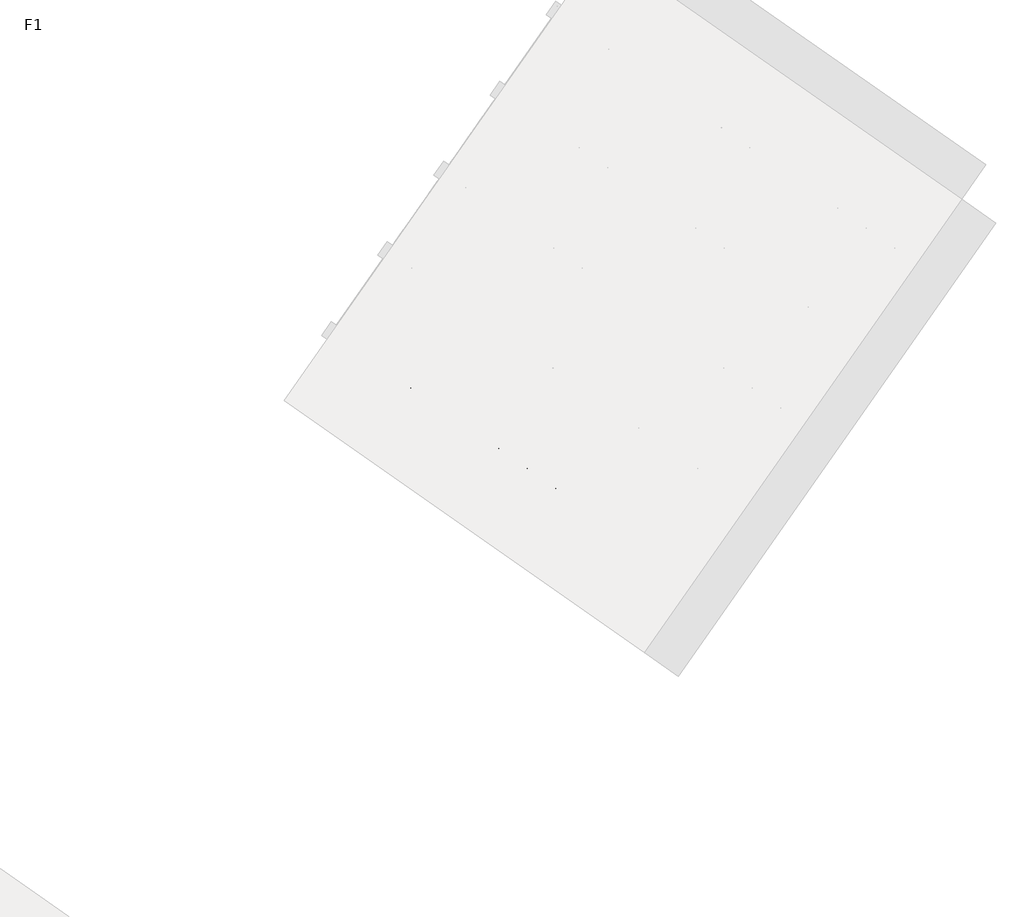
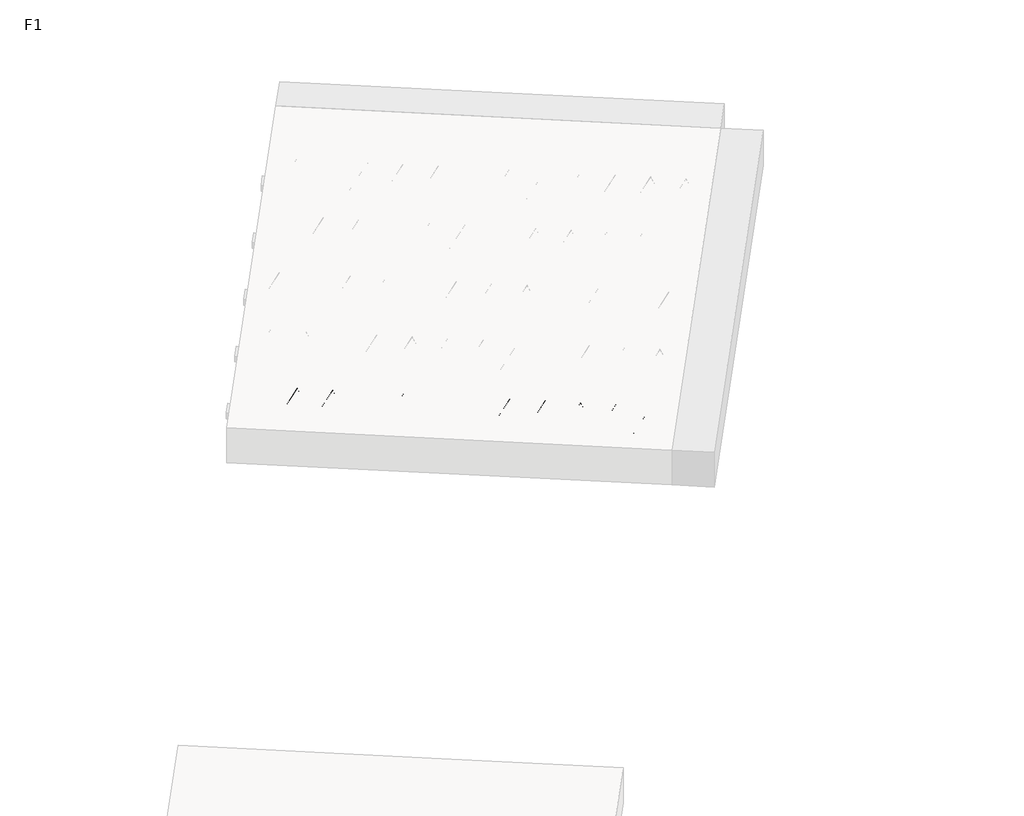
# One storey, part 19 of 30: 1 beam.
"""IFC4 building model written with IfcOpenShell, lengths in millimetres."""

import ifcopenshell
import ifcopenshell.guid

model = None  # the IFC model being written
_history = None  # IfcOwnerHistory: only IFC2X3 demands one
_inside = {}  # id of a spatial element -> (the spatial element, [elements in it])
_under = {}  # id of a project, library or spatial element -> (it, [spatial elements below it])
_declared = {}  # id of a project -> (the project, [libraries it declares])
_typed = {}  # id of a type object -> (the type object, [elements of that type])
_made_of = {}  # id of a material, layer set ... -> (it, [elements and type objects made of it])


def new_model(schema):
    """Start an empty IFC model of exactly this schema.

    Asked for "IFC4X3", IfcOpenShell would pick the latest addendum, in which some entities
    have other attributes; the version numbers below select the first issue.
    IFC2X3 requires an IfcOwnerHistory on every rooted entity: one is made here for all.
    """
    global model, _history
    if schema == "IFC4X3":
        model = ifcopenshell.file(schema_version=(4, 3, 0, 0))
    else:
        model = ifcopenshell.file(schema=schema)
    _inside.clear()
    _under.clear()
    _declared.clear()
    _typed.clear()
    _made_of.clear()
    _history = None
    if model.schema == "IFC2X3":
        org = make("IfcOrganization", Name="unknown")
        user = make(
            "IfcPersonAndOrganization",
            ThePerson=make("IfcPerson", FamilyName="unknown"),
            TheOrganization=org,
        )
        app = make(
            "IfcApplication",
            ApplicationDeveloper=org,
            Version="unknown",
            ApplicationFullName="unknown",
            ApplicationIdentifier="unknown",
        )
        _history = make(
            "IfcOwnerHistory",
            OwningUser=user,
            OwningApplication=app,
            ChangeAction="ADDED",
            CreationDate=0,
        )
    return model


def make(cls, **values):
    """One entity of the class cls with the attributes given. An attribute that is None is left unset."""
    return model.create_entity(
        cls, **{name: value for name, value in values.items() if value is not None}
    )


def rooted(cls, **values):
    """An entity with a GlobalId (a new one), such as an element, a storey or a relation."""
    return make(cls, GlobalId=ifcopenshell.guid.new(), OwnerHistory=_history, **values)


def si_unit(unit_type, name, prefix=None):
    """IfcSIUnit, for example si_unit("LENGTHUNIT", "METRE", prefix="MILLI")."""
    return make("IfcSIUnit", UnitType=unit_type, Prefix=prefix, Name=name)


def assignment(units):
    """IfcUnitAssignment: the units of a project."""
    return None if units is None else make("IfcUnitAssignment", Units=units)


def point(xyz):
    """IfcCartesianPoint."""
    return None if xyz is None else make("IfcCartesianPoint", Coordinates=xyz)


def direction(xyz):
    """IfcDirection."""
    return None if xyz is None else make("IfcDirection", DirectionRatios=xyz)


def frame(location, z_axis=None, x_axis=None):
    """IfcAxis2Placement3D, a coordinate frame: its origin and axes. An axis left out is left unset."""
    return make(
        "IfcAxis2Placement3D",
        Location=point(location),
        Axis=direction(z_axis),
        RefDirection=direction(x_axis),
    )


def frame_2d(location, x_axis=None):
    """IfcAxis2Placement2D, a coordinate frame in the plane: its origin and x axis."""
    return make(
        "IfcAxis2Placement2D", Location=point(location), RefDirection=direction(x_axis)
    )


def origin():
    """The frame at (0, 0, 0) with its axes left unset."""
    return frame((0.0, 0.0, 0.0))


def origin_2d():
    """The frame at (0, 0) in the plane with its x axis left unset."""
    return frame_2d((0.0, 0.0))


def place(relative_to, where):
    """IfcLocalPlacement: puts the frame where relative to a parent placement (None: the world)."""
    return make(
        "IfcLocalPlacement", PlacementRelTo=relative_to, RelativePlacement=where
    )


def context(
    kind, dimensions, precision=None, world=None, true_north=None, identifier=None
):
    """IfcGeometricRepresentationContext, for example the 3D "Model" context."""
    return make(
        "IfcGeometricRepresentationContext",
        ContextIdentifier=identifier,
        ContextType=kind,
        CoordinateSpaceDimension=dimensions,
        Precision=precision,
        WorldCoordinateSystem=world,
        TrueNorth=true_north,
    )


def project(units=None, contexts=None):
    """IfcProject with its units and contexts."""
    return rooted(
        "IfcProject",
        Name="project",
        RepresentationContexts=contexts,
        UnitsInContext=assignment(units),
    )


def spatial(cls, under=None, at=None, **own):
    """A site, building, storey or space (cls), placed at a placement, below another one or the project."""
    s = rooted(cls, ObjectPlacement=at, **own)
    if under is not None:
        _under.setdefault(under.id(), (under, []))[1].append(s)
    return s


def circle_curve(where, radius):
    """IfcCircle in the frame where."""
    return make("IfcCircle", Position=where, Radius=radius)


def trimmed(basis, trim1, trim2, sense, master):
    """IfcTrimmedCurve: the piece of a basis curve between two trims."""
    return make(
        "IfcTrimmedCurve",
        BasisCurve=basis,
        Trim1=trim1,
        Trim2=trim2,
        SenseAgreement=sense,
        MasterRepresentation=master,
    )


def segment(curve, same_sense, transition):
    """IfcCompositeCurveSegment."""
    return make(
        "IfcCompositeCurveSegment",
        Transition=transition,
        SameSense=same_sense,
        ParentCurve=curve,
    )


def composite_curve(segments, self_intersect=None):
    """IfcCompositeCurve: segments joined end to end."""
    return make("IfcCompositeCurve", Segments=segments, SelfIntersect=self_intersect)


def outline(outer, holes=None, kind="AREA"):
    """IfcArbitraryClosedProfileDef: a profile drawn as a closed curve; with holes, ...WithVoids."""
    if holes is None:
        return make("IfcArbitraryClosedProfileDef", ProfileType=kind, OuterCurve=outer)
    return make(
        "IfcArbitraryProfileDefWithVoids",
        ProfileType=kind,
        OuterCurve=outer,
        InnerCurves=holes,
    )


def extrude(swept, where, along, depth):
    """IfcExtrudedAreaSolid: the profile swept, set in the frame where, extruded along a direction by depth."""
    return make(
        "IfcExtrudedAreaSolid",
        SweptArea=swept,
        Position=where,
        ExtrudedDirection=direction(along),
        Depth=depth,
    )


def shape(context_of_items, identifier, shape_type, items):
    """IfcShapeRepresentation: the items that make up one representation, for example the "Body"."""
    return make(
        "IfcShapeRepresentation",
        ContextOfItems=context_of_items,
        RepresentationIdentifier=identifier,
        RepresentationType=shape_type,
        Items=items,
    )


def made_of(thing, what):
    """Note that an element or type object is made of a material, layer set ...; save() writes the relation."""
    if what is not None:
        _made_of.setdefault(what.id(), (what, []))[1].append(thing)
    return thing


def element(
    cls,
    number,
    at=None,
    inside=None,
    cuts=None,
    type_object=None,
    material=None,
    context=None,
    identifier="Body",
    shape_type=None,
    held_by="IfcProductDefinitionShape",
    body=None,
    shapes=None,
    **own,
):
    """One element of the class cls, such as IfcWall. Its Tag is "e" and its number.

    at: its placement. inside: the storey or other place that contains it. cuts: it is an
    opening in that element (IfcRelVoidsElement). A single representation is given by context,
    identifier, shape_type and body (its items); several are given by shapes. held_by: the class
    of the entity that holds the representations. save() writes the other relations.
    """
    e = rooted(cls, Tag="e%d" % number, ObjectPlacement=at, **own)
    if body is not None:
        shapes = [shape(context, identifier, shape_type, body)]
    if shapes is not None:
        e.Representation = make(held_by, Representations=shapes)
    if inside is not None:
        _inside.setdefault(inside.id(), (inside, []))[1].append(e)
    if cuts is not None:
        rooted(
            "IfcRelVoidsElement", RelatingBuildingElement=cuts, RelatedOpeningElement=e
        )
    if type_object is not None:
        _typed.setdefault(type_object.id(), (type_object, []))[1].append(e)
    return made_of(e, material)


def aggregate(whole, parts):
    """IfcRelAggregates: a whole, such as a stair, and the parts it consists of."""
    return rooted("IfcRelAggregates", RelatingObject=whole, RelatedObjects=parts)


def save(model, path):
    """Write the relations noted so far, then the file.

    IfcRelAggregates (storeys below a building ...), IfcRelContainedInSpatialStructure (elements
    in a storey), IfcRelDefinesByType, IfcRelAssociatesMaterial and IfcRelDeclares: one each for
    every whole, place, type object, material and project.
    """
    for whole, parts in _under.values():
        aggregate(whole, parts)
    for where, things in _inside.values():
        rooted(
            "IfcRelContainedInSpatialStructure",
            RelatedElements=things,
            RelatingStructure=where,
        )
    for kind, things in _typed.values():
        rooted("IfcRelDefinesByType", RelatedObjects=things, RelatingType=kind)
    for what, things in _made_of.values():
        rooted("IfcRelAssociatesMaterial", RelatedObjects=things, RelatingMaterial=what)
    for by, libraries in _declared.values():
        rooted("IfcRelDeclares", RelatingContext=by, RelatedDefinitions=libraries)
    model.write(path)


model = new_model("IFC4")

# Units and contexts
model_context = context("Model", 3, world=origin())
ifc_project = project(units=[si_unit("LENGTHUNIT", "METRE", prefix="MILLI")], contexts=[model_context])

# Site, building, storey
site = spatial("IfcSite", under=ifc_project)
building = spatial("IfcBuilding", under=site)
storey = spatial("IfcBuildingStorey", under=building, Name="F1", Elevation=99520.0)

# Beam
placement = place(None, origin())
element("IfcBeam", 1, at=placement, inside=storey, context=model_context, shape_type="SweptSolid", body=[
    extrude(outline(composite_curve([segment(trimmed(circle_curve(origin_2d(), 2.5), [point((-2.5, 0.0))], [point((2.5, 0.0))], False, "CARTESIAN"), True, "CONTINUOUS"), segment(trimmed(circle_curve(origin_2d(), 2.5), [point((2.5, 0.0))], [point((-2.5, 0.0))], False, "CARTESIAN"), True, "CONTINUOUS")], self_intersect=False)), frame((13091.7160289, 2936.1855262, 99745.0), z_axis=(-0.8191520442696126, 0.5735764363787226, 0.0), x_axis=(0.5735764363787226, 0.8191520442696126, 0.0)), (0.0, 0.0, 1.0), 3192.0),
    extrude(outline(composite_curve([segment(trimmed(circle_curve(origin_2d(), 2.5), [point((-2.5, 0.0))], [point((2.5, 0.0))], False, "CARTESIAN"), True, "CONTINUOUS"), segment(trimmed(circle_curve(origin_2d(), 2.5), [point((2.5, 0.0))], [point((-2.5, 0.0))], False, "CARTESIAN"), True, "CONTINUOUS")], self_intersect=False)), frame((12972.2897811, 3063.7565704, 99970.0), z_axis=(-0.8191520442696126, 0.5735764363787226, 0.0), x_axis=(0.5735764363787226, 0.8191520442696126, 0.0)), (0.0, 0.0, 1.0), 2850.0),
    extrude(outline(composite_curve([segment(trimmed(circle_curve(origin_2d(), 2.5), [point((-2.5, 0.0))], [point((2.5, 0.0))], False, "CARTESIAN"), True, "CONTINUOUS"), segment(trimmed(circle_curve(origin_2d(), 2.5), [point((2.5, 0.0))], [point((-2.5, 0.0))], False, "CARTESIAN"), True, "CONTINUOUS")], self_intersect=False)), frame((13013.0774327, 2991.2488641, 99745.0), z_axis=(-0.3145304735701046, 0.38933448886848654, 0.8657304643902053), x_axis=(0.7778747638402499, 0.6284193279813057, 0.0)), (0.0, 0.0, 1.0), 259.8961331),
    extrude(outline(composite_curve([segment(trimmed(circle_curve(origin_2d(), 2.5), [point((2.5, 0.0))], [point((-2.5, 0.0))], False, "CARTESIAN"), True, "CONTINUOUS"), segment(trimmed(circle_curve(origin_2d(), 2.5), [point((-2.5, 0.0))], [point((2.5, 0.0))], False, "CARTESIAN"), True, "CONTINUOUS")], self_intersect=False)), frame((12808.2894216, 3134.6429732, 99745.0), z_axis=(0.47343050384693375, -0.16240172737369005, 0.8657304643902051), x_axis=(-0.3244721671091268, -0.9458952440791246, 0.0)), (0.0, 0.0, 1.0), 259.8961331),
    extrude(outline(composite_curve([segment(trimmed(circle_curve(origin_2d(), 2.5), [point((-2.5, 0.0))], [point((2.5, 0.0))], False, "CARTESIAN"), True, "CONTINUOUS"), segment(trimmed(circle_curve(origin_2d(), 2.5), [point((2.5, 0.0))], [point((-2.5, 0.0))], False, "CARTESIAN"), True, "CONTINUOUS")], self_intersect=False)), frame((12808.2894216, 3134.6429732, 99745.0), z_axis=(-0.3145304735701046, 0.38933448886848654, 0.8657304643902053), x_axis=(0.7778747638402499, 0.6284193279813057, 0.0)), (0.0, 0.0, 1.0), 259.8961331),
    extrude(outline(composite_curve([segment(trimmed(circle_curve(origin_2d(), 2.5), [point((2.5, -1e-07))], [point((-2.5, 0.0))], False, "CARTESIAN"), True, "CONTINUOUS"), segment(trimmed(circle_curve(origin_2d(), 2.5), [point((-2.5, 0.0))], [point((2.5, -1e-07))], False, "CARTESIAN"), True, "CONTINUOUS")], self_intersect=False)), frame((12603.5014106, 3278.0370823, 99745.0), z_axis=(0.47343050384693375, -0.16240172737369005, 0.8657304643902051), x_axis=(-0.3244721671091268, -0.9458952440791246, 0.0)), (0.0, 0.0, 1.0), 259.8961331),
    extrude(outline(composite_curve([segment(trimmed(circle_curve(origin_2d(), 2.5), [point((-2.5000001, 1e-07))], [point((2.5, 0.0))], False, "CARTESIAN"), True, "CONTINUOUS"), segment(trimmed(circle_curve(origin_2d(), 2.5), [point((2.5, 0.0))], [point((-2.5000001, 1e-07))], False, "CARTESIAN"), True, "CONTINUOUS")], self_intersect=False)), frame((12603.5014106, 3278.0370823, 99745.0), z_axis=(-0.3145304735701046, 0.38933448886848654, 0.8657304643902053), x_axis=(0.7778747638402499, 0.6284193279813057, 0.0)), (0.0, 0.0, 1.0), 259.8961331),
    extrude(outline(composite_curve([segment(trimmed(circle_curve(origin_2d(), 2.5), [point((2.5, 0.0))], [point((-2.5, 0.0))], False, "CARTESIAN"), True, "CONTINUOUS"), segment(trimmed(circle_curve(origin_2d(), 2.5), [point((-2.5, 0.0))], [point((2.5, 0.0))], False, "CARTESIAN"), True, "CONTINUOUS")], self_intersect=False)), frame((12398.7133995, 3421.4311914, 99745.0), z_axis=(0.47343050384693375, -0.16240172737369005, 0.8657304643902051), x_axis=(-0.3244721671091268, -0.9458952440791246, 0.0)), (0.0, 0.0, 1.0), 259.8961331),
    extrude(outline(composite_curve([segment(trimmed(circle_curve(origin_2d(), 2.5), [point((-2.5, 0.0))], [point((2.5, 0.0))], False, "CARTESIAN"), True, "CONTINUOUS"), segment(trimmed(circle_curve(origin_2d(), 2.5), [point((2.5, 0.0))], [point((-2.5, 0.0))], False, "CARTESIAN"), True, "CONTINUOUS")], self_intersect=False)), frame((12398.7133995, 3421.4311914, 99745.0), z_axis=(-0.3145304735701046, 0.38933448886848654, 0.8657304643902053), x_axis=(0.7778747638402499, 0.6284193279813057, 0.0)), (0.0, 0.0, 1.0), 259.8961331),
    extrude(outline(composite_curve([segment(trimmed(circle_curve(origin_2d(), 2.5), [point((2.5, 0.0))], [point((-2.5, 0.0))], False, "CARTESIAN"), True, "CONTINUOUS"), segment(trimmed(circle_curve(origin_2d(), 2.5), [point((-2.5, 0.0))], [point((2.5, 0.0))], False, "CARTESIAN"), True, "CONTINUOUS")], self_intersect=False)), frame((12193.9253884, 3564.8253005, 99745.0), z_axis=(0.47343050384693375, -0.16240172737369005, 0.8657304643902051), x_axis=(-0.3244721671091268, -0.9458952440791246, 0.0)), (0.0, 0.0, 1.0), 259.8961331),
    extrude(outline(composite_curve([segment(trimmed(circle_curve(origin_2d(), 2.5), [point((-2.5, 0.0))], [point((2.5, 0.0))], False, "CARTESIAN"), True, "CONTINUOUS"), segment(trimmed(circle_curve(origin_2d(), 2.5), [point((2.5, 0.0))], [point((-2.5, 0.0))], False, "CARTESIAN"), True, "CONTINUOUS")], self_intersect=False)), frame((12193.9253884, 3564.8253005, 99745.0), z_axis=(-0.3145304735701046, 0.38933448886848654, 0.8657304643902053), x_axis=(0.7778747638402499, 0.6284193279813057, 0.0)), (0.0, 0.0, 1.0), 259.8961331),
    extrude(outline(composite_curve([segment(trimmed(circle_curve(origin_2d(), 2.5), [point((2.5, -1e-07))], [point((-2.5, 0.0))], False, "CARTESIAN"), True, "CONTINUOUS"), segment(trimmed(circle_curve(origin_2d(), 2.5), [point((-2.5, 0.0))], [point((2.5, -1e-07))], False, "CARTESIAN"), True, "CONTINUOUS")], self_intersect=False)), frame((11989.1373774, 3708.2194096, 99745.0), z_axis=(0.47343050384693375, -0.16240172737369005, 0.8657304643902051), x_axis=(-0.3244721671091268, -0.9458952440791246, 0.0)), (0.0, 0.0, 1.0), 259.8961331),
    extrude(outline(composite_curve([segment(trimmed(circle_curve(origin_2d(), 2.5), [point((-2.5000001, 0.0))], [point((2.5, 0.0))], False, "CARTESIAN"), True, "CONTINUOUS"), segment(trimmed(circle_curve(origin_2d(), 2.5), [point((2.5, 0.0))], [point((-2.5000001, 0.0))], False, "CARTESIAN"), True, "CONTINUOUS")], self_intersect=False)), frame((11989.1373774, 3708.2194096, 99745.0), z_axis=(-0.3145304735701046, 0.38933448886848654, 0.8657304643902053), x_axis=(0.7778747638402499, 0.6284193279813057, 0.0)), (0.0, 0.0, 1.0), 259.8961331),
    extrude(outline(composite_curve([segment(trimmed(circle_curve(origin_2d(), 2.5), [point((2.5, 0.0))], [point((-2.5, 0.0))], False, "CARTESIAN"), True, "CONTINUOUS"), segment(trimmed(circle_curve(origin_2d(), 2.5), [point((-2.5, 0.0))], [point((2.5, 0.0))], False, "CARTESIAN"), True, "CONTINUOUS")], self_intersect=False)), frame((11784.3493663, 3851.6135187, 99745.0), z_axis=(0.47343050384693375, -0.16240172737369005, 0.8657304643902051), x_axis=(-0.3244721671091268, -0.9458952440791246, 0.0)), (0.0, 0.0, 1.0), 259.8961331),
    extrude(outline(composite_curve([segment(trimmed(circle_curve(origin_2d(), 2.5), [point((-2.5, -1e-07))], [point((2.5, 0.0))], False, "CARTESIAN"), True, "CONTINUOUS"), segment(trimmed(circle_curve(origin_2d(), 2.5), [point((2.5, 0.0))], [point((-2.5, -1e-07))], False, "CARTESIAN"), True, "CONTINUOUS")], self_intersect=False)), frame((11784.3493663, 3851.6135187, 99745.0), z_axis=(-0.3145304735701046, 0.38933448886848654, 0.8657304643902053), x_axis=(0.7778747638402499, 0.6284193279813057, 0.0)), (0.0, 0.0, 1.0), 259.8961331),
    extrude(outline(composite_curve([segment(trimmed(circle_curve(origin_2d(), 2.5), [point((2.5000001, 0.0))], [point((-2.5, 0.0))], False, "CARTESIAN"), True, "CONTINUOUS"), segment(trimmed(circle_curve(origin_2d(), 2.5), [point((-2.5, 0.0))], [point((2.5000001, 0.0))], False, "CARTESIAN"), True, "CONTINUOUS")], self_intersect=False)), frame((11579.5613552, 3995.0076278, 99745.0), z_axis=(0.47343050384693375, -0.16240172737369005, 0.8657304643902051), x_axis=(-0.3244721671091268, -0.9458952440791246, 0.0)), (0.0, 0.0, 1.0), 259.8961331),
    extrude(outline(composite_curve([segment(trimmed(circle_curve(origin_2d(), 2.5), [point((-2.5, -1e-07))], [point((2.5, 0.0))], False, "CARTESIAN"), True, "CONTINUOUS"), segment(trimmed(circle_curve(origin_2d(), 2.5), [point((2.5, 0.0))], [point((-2.5, -1e-07))], False, "CARTESIAN"), True, "CONTINUOUS")], self_intersect=False)), frame((11579.5613552, 3995.0076278, 99745.0), z_axis=(-0.3145304735701046, 0.38933448886848654, 0.8657304643902053), x_axis=(0.7778747638402499, 0.6284193279813057, 0.0)), (0.0, 0.0, 1.0), 259.8961331),
    extrude(outline(composite_curve([segment(trimmed(circle_curve(origin_2d(), 2.5), [point((2.5000001, 0.0))], [point((-2.5, 0.0))], False, "CARTESIAN"), True, "CONTINUOUS"), segment(trimmed(circle_curve(origin_2d(), 2.5), [point((-2.5, 0.0))], [point((2.5000001, 0.0))], False, "CARTESIAN"), True, "CONTINUOUS")], self_intersect=False)), frame((11374.7733442, 4138.4017369, 99745.0), z_axis=(0.47343050384693375, -0.16240172737369005, 0.8657304643902051), x_axis=(-0.3244721671091268, -0.9458952440791246, 0.0)), (0.0, 0.0, 1.0), 259.8961331),
    extrude(outline(composite_curve([segment(trimmed(circle_curve(origin_2d(), 2.5), [point((-2.5, -1e-07))], [point((2.5000001, -1e-07))], False, "CARTESIAN"), True, "CONTINUOUS"), segment(trimmed(circle_curve(origin_2d(), 2.5), [point((2.5000001, -1e-07))], [point((-2.5, -1e-07))], False, "CARTESIAN"), True, "CONTINUOUS")], self_intersect=False)), frame((11374.7733441, 4138.4017369, 99745.0), z_axis=(-0.3145304735701046, 0.38933448886848654, 0.8657304643902053), x_axis=(0.7778747638402499, 0.6284193279813057, 0.0)), (0.0, 0.0, 1.0), 259.8961331),
    extrude(outline(composite_curve([segment(trimmed(circle_curve(origin_2d(), 2.5), [point((2.5, 0.0))], [point((-2.5000001, 0.0))], False, "CARTESIAN"), True, "CONTINUOUS"), segment(trimmed(circle_curve(origin_2d(), 2.5), [point((-2.5000001, 0.0))], [point((2.5, 0.0))], False, "CARTESIAN"), True, "CONTINUOUS")], self_intersect=False)), frame((11169.9853331, 4281.7958459, 99745.0), z_axis=(0.47343050384693375, -0.16240172737369005, 0.8657304643902051), x_axis=(-0.3244721671091268, -0.9458952440791246, 0.0)), (0.0, 0.0, 1.0), 259.8961331),
    extrude(outline(composite_curve([segment(trimmed(circle_curve(origin_2d(), 2.5), [point((-2.5, 0.0))], [point((2.5, 1e-07))], False, "CARTESIAN"), True, "CONTINUOUS"), segment(trimmed(circle_curve(origin_2d(), 2.5), [point((2.5, 1e-07))], [point((-2.5, 0.0))], False, "CARTESIAN"), True, "CONTINUOUS")], self_intersect=False)), frame((11169.9853331, 4281.7958459, 99745.0), z_axis=(-0.3145304735701046, 0.38933448886848654, 0.8657304643902053), x_axis=(0.7778747638402499, 0.6284193279813057, 0.0)), (0.0, 0.0, 1.0), 259.8961331),
    extrude(outline(composite_curve([segment(trimmed(circle_curve(origin_2d(), 2.5), [point((2.5, 0.0))], [point((-2.5000001, 0.0))], False, "CARTESIAN"), True, "CONTINUOUS"), segment(trimmed(circle_curve(origin_2d(), 2.5), [point((-2.5000001, 0.0))], [point((2.5, 0.0))], False, "CARTESIAN"), True, "CONTINUOUS")], self_intersect=False)), frame((10965.197322, 4425.189955, 99745.0), z_axis=(0.47343050384693375, -0.16240172737369005, 0.8657304643902051), x_axis=(-0.3244721671091268, -0.9458952440791246, 0.0)), (0.0, 0.0, 1.0), 259.8961331),
    extrude(outline(composite_curve([segment(trimmed(circle_curve(origin_2d(), 2.5), [point((-2.5, 0.0))], [point((2.5, 1e-07))], False, "CARTESIAN"), True, "CONTINUOUS"), segment(trimmed(circle_curve(origin_2d(), 2.5), [point((2.5, 1e-07))], [point((-2.5, 0.0))], False, "CARTESIAN"), True, "CONTINUOUS")], self_intersect=False)), frame((10965.197322, 4425.189955, 99745.0), z_axis=(-0.3145304735701046, 0.38933448886848654, 0.8657304643902053), x_axis=(0.7778747638402499, 0.6284193279813057, 0.0)), (0.0, 0.0, 1.0), 259.8961331),
    extrude(outline(composite_curve([segment(trimmed(circle_curve(origin_2d(), 2.5), [point((2.5, 0.0))], [point((-2.5, 1e-07))], False, "CARTESIAN"), True, "CONTINUOUS"), segment(trimmed(circle_curve(origin_2d(), 2.5), [point((-2.5, 1e-07))], [point((2.5, 0.0))], False, "CARTESIAN"), True, "CONTINUOUS")], self_intersect=False)), frame((10760.4093109, 4568.5840641, 99745.0), z_axis=(0.47343050384693375, -0.16240172737369005, 0.8657304643902051), x_axis=(-0.3244721671091268, -0.9458952440791246, 0.0)), (0.0, 0.0, 1.0), 259.8961331),
    extrude(outline(composite_curve([segment(trimmed(circle_curve(origin_2d(), 2.5), [point((-2.5, 0.0))], [point((2.5000001, 0.0))], False, "CARTESIAN"), True, "CONTINUOUS"), segment(trimmed(circle_curve(origin_2d(), 2.5), [point((2.5000001, 0.0))], [point((-2.5, 0.0))], False, "CARTESIAN"), True, "CONTINUOUS")], self_intersect=False)), frame((10760.4093109, 4568.5840641, 99745.0), z_axis=(-0.3145304735701046, 0.38933448886848654, 0.8657304643902053), x_axis=(0.7778747638402499, 0.6284193279813057, 0.0)), (0.0, 0.0, 1.0), 259.8961331),
    extrude(outline(composite_curve([segment(trimmed(circle_curve(origin_2d(), 2.5), [point((2.5, 0.0))], [point((-2.5, 0.0))], False, "CARTESIAN"), True, "CONTINUOUS"), segment(trimmed(circle_curve(origin_2d(), 2.5), [point((-2.5, 0.0))], [point((2.5, 0.0))], False, "CARTESIAN"), True, "CONTINUOUS")], self_intersect=False)), frame((10555.6212999, 4711.9781732, 99745.0), z_axis=(0.47343050384693375, -0.16240172737369005, 0.8657304643902051), x_axis=(-0.3244721671091268, -0.9458952440791246, 0.0)), (0.0, 0.0, 1.0), 259.8961331),
    extrude(outline(composite_curve([segment(trimmed(circle_curve(origin_2d(), 2.5), [point((-2.5, 0.0))], [point((2.4999999, 0.0))], False, "CARTESIAN"), True, "CONTINUOUS"), segment(trimmed(circle_curve(origin_2d(), 2.5), [point((2.4999999, 0.0))], [point((-2.5, 0.0))], False, "CARTESIAN"), True, "CONTINUOUS")], self_intersect=False)), frame((13133.0135324, 2995.1644734, 99745.0), z_axis=(-0.8191520442696126, 0.5735764363787226, 0.0), x_axis=(0.5735764363787226, 0.8191520442696126, 0.0)), (0.0, 0.0, 1.0), 3192.0),
    extrude(outline(composite_curve([segment(trimmed(circle_curve(origin_2d(), 2.5), [point((-2.5, 0.0))], [point((2.5, 0.0))], False, "CARTESIAN"), True, "CONTINUOUS"), segment(trimmed(circle_curve(origin_2d(), 2.5), [point((2.5, 0.0))], [point((-2.5, 0.0))], False, "CARTESIAN"), True, "CONTINUOUS")], self_intersect=False)), frame((13054.3749361, 3050.2278113, 99745.0), z_axis=(-0.47343050384693375, 0.16240172737369005, 0.8657304643902051), x_axis=(0.3244721671091268, 0.9458952440791246, 0.0)), (0.0, 0.0, 1.0), 259.8961331),
    extrude(outline(composite_curve([segment(trimmed(circle_curve(origin_2d(), 2.5), [point((2.5, 0.0))], [point((-2.5000001, 1e-07))], False, "CARTESIAN"), True, "CONTINUOUS"), segment(trimmed(circle_curve(origin_2d(), 2.5), [point((-2.5000001, 1e-07))], [point((2.5, 0.0))], False, "CARTESIAN"), True, "CONTINUOUS")], self_intersect=False)), frame((12849.586925, 3193.6219204, 99745.0), z_axis=(0.3145304735701046, -0.38933448886848654, 0.8657304643902053), x_axis=(-0.7778747638402499, -0.6284193279813057, 0.0)), (0.0, 0.0, 1.0), 259.8961331),
    extrude(outline(composite_curve([segment(trimmed(circle_curve(origin_2d(), 2.5), [point((-2.5, 0.0))], [point((2.5, -1e-07))], False, "CARTESIAN"), True, "CONTINUOUS"), segment(trimmed(circle_curve(origin_2d(), 2.5), [point((2.5, -1e-07))], [point((-2.5, 0.0))], False, "CARTESIAN"), True, "CONTINUOUS")], self_intersect=False)), frame((12849.586925, 3193.6219204, 99745.0), z_axis=(-0.47343050384693375, 0.16240172737369005, 0.8657304643902051), x_axis=(0.3244721671091268, 0.9458952440791246, 0.0)), (0.0, 0.0, 1.0), 259.8961331),
    extrude(outline(composite_curve([segment(trimmed(circle_curve(origin_2d(), 2.5), [point((2.5, 1e-07))], [point((-2.5, 0.0))], False, "CARTESIAN"), True, "CONTINUOUS"), segment(trimmed(circle_curve(origin_2d(), 2.5), [point((-2.5, 0.0))], [point((2.5, 1e-07))], False, "CARTESIAN"), True, "CONTINUOUS")], self_intersect=False)), frame((12644.798914, 3337.0160295, 99745.0), z_axis=(0.3145304735701046, -0.38933448886848654, 0.8657304643902053), x_axis=(-0.7778747638402499, -0.6284193279813057, 0.0)), (0.0, 0.0, 1.0), 259.8961331),
    extrude(outline(composite_curve([segment(trimmed(circle_curve(origin_2d(), 2.5), [point((-2.5, 0.0))], [point((2.5, 0.0))], False, "CARTESIAN"), True, "CONTINUOUS"), segment(trimmed(circle_curve(origin_2d(), 2.5), [point((2.5, 0.0))], [point((-2.5, 0.0))], False, "CARTESIAN"), True, "CONTINUOUS")], self_intersect=False)), frame((12644.798914, 3337.0160295, 99745.0), z_axis=(-0.47343050384693375, 0.16240172737369005, 0.8657304643902051), x_axis=(0.3244721671091268, 0.9458952440791246, 0.0)), (0.0, 0.0, 1.0), 259.8961331),
    extrude(outline(composite_curve([segment(trimmed(circle_curve(origin_2d(), 2.5), [point((2.5, 1e-07))], [point((-2.5, 0.0))], False, "CARTESIAN"), True, "CONTINUOUS"), segment(trimmed(circle_curve(origin_2d(), 2.5), [point((-2.5, 0.0))], [point((2.5, 1e-07))], False, "CARTESIAN"), True, "CONTINUOUS")], self_intersect=False)), frame((12440.0109029, 3480.4101386, 99745.0), z_axis=(0.3145304735701046, -0.38933448886848654, 0.8657304643902053), x_axis=(-0.7778747638402499, -0.6284193279813057, 0.0)), (0.0, 0.0, 1.0), 259.8961331),
    extrude(outline(composite_curve([segment(trimmed(circle_curve(origin_2d(), 2.5), [point((-2.5, 0.0))], [point((2.5, 0.0))], False, "CARTESIAN"), True, "CONTINUOUS"), segment(trimmed(circle_curve(origin_2d(), 2.5), [point((2.5, 0.0))], [point((-2.5, 0.0))], False, "CARTESIAN"), True, "CONTINUOUS")], self_intersect=False)), frame((12440.0109029, 3480.4101386, 99745.0), z_axis=(-0.47343050384693375, 0.16240172737369005, 0.8657304643902051), x_axis=(0.3244721671091268, 0.9458952440791246, 0.0)), (0.0, 0.0, 1.0), 259.8961331),
    extrude(outline(composite_curve([segment(trimmed(circle_curve(origin_2d(), 2.5), [point((2.5, 1e-07))], [point((-2.5, 0.0))], False, "CARTESIAN"), True, "CONTINUOUS"), segment(trimmed(circle_curve(origin_2d(), 2.5), [point((-2.5, 0.0))], [point((2.5, 1e-07))], False, "CARTESIAN"), True, "CONTINUOUS")], self_intersect=False)), frame((12235.2228918, 3623.8042477, 99745.0), z_axis=(0.3145304735701046, -0.38933448886848654, 0.8657304643902053), x_axis=(-0.7778747638402499, -0.6284193279813057, 0.0)), (0.0, 0.0, 1.0), 259.8961331),
    extrude(outline(composite_curve([segment(trimmed(circle_curve(origin_2d(), 2.5), [point((-2.5000001, 0.0))], [point((2.5, -1e-07))], False, "CARTESIAN"), True, "CONTINUOUS"), segment(trimmed(circle_curve(origin_2d(), 2.5), [point((2.5, -1e-07))], [point((-2.5000001, 0.0))], False, "CARTESIAN"), True, "CONTINUOUS")], self_intersect=False)), frame((12235.2228918, 3623.8042477, 99745.0), z_axis=(-0.47343050384693375, 0.16240172737369005, 0.8657304643902051), x_axis=(0.3244721671091268, 0.9458952440791246, 0.0)), (0.0, 0.0, 1.0), 259.8961331),
    extrude(outline(composite_curve([segment(trimmed(circle_curve(origin_2d(), 2.5), [point((2.5, 1e-07))], [point((-2.5, 0.0))], False, "CARTESIAN"), True, "CONTINUOUS"), segment(trimmed(circle_curve(origin_2d(), 2.5), [point((-2.5, 0.0))], [point((2.5, 1e-07))], False, "CARTESIAN"), True, "CONTINUOUS")], self_intersect=False)), frame((12030.4348808, 3767.1983568, 99745.0), z_axis=(0.3145304735701046, -0.38933448886848654, 0.8657304643902053), x_axis=(-0.7778747638402499, -0.6284193279813057, 0.0)), (0.0, 0.0, 1.0), 259.8961331),
    extrude(outline(composite_curve([segment(trimmed(circle_curve(origin_2d(), 2.5), [point((-2.5000001, 0.0))], [point((2.5, 0.0))], False, "CARTESIAN"), True, "CONTINUOUS"), segment(trimmed(circle_curve(origin_2d(), 2.5), [point((2.5, 0.0))], [point((-2.5000001, 0.0))], False, "CARTESIAN"), True, "CONTINUOUS")], self_intersect=False)), frame((12030.4348808, 3767.1983568, 99745.0), z_axis=(-0.47343050384693375, 0.16240172737369005, 0.8657304643902051), x_axis=(0.3244721671091268, 0.9458952440791246, 0.0)), (0.0, 0.0, 1.0), 259.8961331),
    extrude(outline(composite_curve([segment(trimmed(circle_curve(origin_2d(), 2.5), [point((2.5, 0.0))], [point((-2.5, -1e-07))], False, "CARTESIAN"), True, "CONTINUOUS"), segment(trimmed(circle_curve(origin_2d(), 2.5), [point((-2.5, -1e-07))], [point((2.5, 0.0))], False, "CARTESIAN"), True, "CONTINUOUS")], self_intersect=False)), frame((11825.6468697, 3910.5924658, 99745.0), z_axis=(0.3145304735701046, -0.38933448886848654, 0.8657304643902053), x_axis=(-0.7778747638402499, -0.6284193279813057, 0.0)), (0.0, 0.0, 1.0), 259.8961331),
    extrude(outline(composite_curve([segment(trimmed(circle_curve(origin_2d(), 2.5), [point((-2.5, 0.0))], [point((2.5000001, 0.0))], False, "CARTESIAN"), True, "CONTINUOUS"), segment(trimmed(circle_curve(origin_2d(), 2.5), [point((2.5000001, 0.0))], [point((-2.5, 0.0))], False, "CARTESIAN"), True, "CONTINUOUS")], self_intersect=False)), frame((11825.6468697, 3910.5924658, 99745.0), z_axis=(-0.47343050384693375, 0.16240172737369005, 0.8657304643902051), x_axis=(0.3244721671091268, 0.9458952440791246, 0.0)), (0.0, 0.0, 1.0), 259.8961331),
    extrude(outline(composite_curve([segment(trimmed(circle_curve(origin_2d(), 2.5), [point((2.5, 0.0))], [point((-2.5, -1e-07))], False, "CARTESIAN"), True, "CONTINUOUS"), segment(trimmed(circle_curve(origin_2d(), 2.5), [point((-2.5, -1e-07))], [point((2.5, 0.0))], False, "CARTESIAN"), True, "CONTINUOUS")], self_intersect=False)), frame((11620.8588586, 4053.9865749, 99745.0), z_axis=(0.3145304735701046, -0.38933448886848654, 0.8657304643902053), x_axis=(-0.7778747638402499, -0.6284193279813057, 0.0)), (0.0, 0.0, 1.0), 259.8961331),
    extrude(outline(composite_curve([segment(trimmed(circle_curve(origin_2d(), 2.5), [point((-2.5, 0.0))], [point((2.5000001, 0.0))], False, "CARTESIAN"), True, "CONTINUOUS"), segment(trimmed(circle_curve(origin_2d(), 2.5), [point((2.5000001, 0.0))], [point((-2.5, 0.0))], False, "CARTESIAN"), True, "CONTINUOUS")], self_intersect=False)), frame((11620.8588586, 4053.9865749, 99745.0), z_axis=(-0.47343050384693375, 0.16240172737369005, 0.8657304643902051), x_axis=(0.3244721671091268, 0.9458952440791246, 0.0)), (0.0, 0.0, 1.0), 259.8961331),
    extrude(outline(composite_curve([segment(trimmed(circle_curve(origin_2d(), 2.5), [point((2.5, 0.0))], [point((-2.5, -1e-07))], False, "CARTESIAN"), True, "CONTINUOUS"), segment(trimmed(circle_curve(origin_2d(), 2.5), [point((-2.5, -1e-07))], [point((2.5, 0.0))], False, "CARTESIAN"), True, "CONTINUOUS")], self_intersect=False)), frame((11416.0708476, 4197.380684, 99745.0), z_axis=(0.3145304735701046, -0.38933448886848654, 0.8657304643902053), x_axis=(-0.7778747638402499, -0.6284193279813057, 0.0)), (0.0, 0.0, 1.0), 259.8961331),
    extrude(outline(composite_curve([segment(trimmed(circle_curve(origin_2d(), 2.5), [point((-2.5, 1e-07))], [point((2.5, 0.0))], False, "CARTESIAN"), True, "CONTINUOUS"), segment(trimmed(circle_curve(origin_2d(), 2.5), [point((2.5, 0.0))], [point((-2.5, 1e-07))], False, "CARTESIAN"), True, "CONTINUOUS")], self_intersect=False)), frame((11416.0708476, 4197.380684, 99745.0), z_axis=(-0.47343050384693375, 0.16240172737369005, 0.8657304643902051), x_axis=(0.3244721671091268, 0.9458952440791246, 0.0)), (0.0, 0.0, 1.0), 259.8961331),
    extrude(outline(composite_curve([segment(trimmed(circle_curve(origin_2d(), 2.5), [point((2.5, 0.0))], [point((-2.5, -1e-07))], False, "CARTESIAN"), True, "CONTINUOUS"), segment(trimmed(circle_curve(origin_2d(), 2.5), [point((-2.5, -1e-07))], [point((2.5, 0.0))], False, "CARTESIAN"), True, "CONTINUOUS")], self_intersect=False)), frame((11211.2828365, 4340.7747931, 99745.0), z_axis=(0.3145304735701046, -0.38933448886848654, 0.8657304643902053), x_axis=(-0.7778747638402499, -0.6284193279813057, 0.0)), (0.0, 0.0, 1.0), 259.8961331),
    extrude(outline(composite_curve([segment(trimmed(circle_curve(origin_2d(), 2.5), [point((-2.5, 0.0))], [point((2.5, 0.0))], False, "CARTESIAN"), True, "CONTINUOUS"), segment(trimmed(circle_curve(origin_2d(), 2.5), [point((2.5, 0.0))], [point((-2.5, 0.0))], False, "CARTESIAN"), True, "CONTINUOUS")], self_intersect=False)), frame((11211.2828365, 4340.7747931, 99745.0), z_axis=(-0.47343050384693375, 0.16240172737369005, 0.8657304643902051), x_axis=(0.3244721671091268, 0.9458952440791246, 0.0)), (0.0, 0.0, 1.0), 259.8961331),
    extrude(outline(composite_curve([segment(trimmed(circle_curve(origin_2d(), 2.5), [point((2.5, 0.0))], [point((-2.5, 0.0))], False, "CARTESIAN"), True, "CONTINUOUS"), segment(trimmed(circle_curve(origin_2d(), 2.5), [point((-2.5, 0.0))], [point((2.5, 0.0))], False, "CARTESIAN"), True, "CONTINUOUS")], self_intersect=False)), frame((11006.4948254, 4484.1689022, 99745.0), z_axis=(0.3145304735701046, -0.38933448886848654, 0.8657304643902053), x_axis=(-0.7778747638402499, -0.6284193279813057, 0.0)), (0.0, 0.0, 1.0), 259.8961331),
    extrude(outline(composite_curve([segment(trimmed(circle_curve(origin_2d(), 2.5), [point((-2.5, 0.0))], [point((2.5, -1e-07))], False, "CARTESIAN"), True, "CONTINUOUS"), segment(trimmed(circle_curve(origin_2d(), 2.5), [point((2.5, -1e-07))], [point((-2.5, 0.0))], False, "CARTESIAN"), True, "CONTINUOUS")], self_intersect=False)), frame((11006.4948254, 4484.1689022, 99745.0), z_axis=(-0.47343050384693375, 0.16240172737369005, 0.8657304643902051), x_axis=(0.3244721671091268, 0.9458952440791246, 0.0)), (0.0, 0.0, 1.0), 259.8961331),
    extrude(outline(composite_curve([segment(trimmed(circle_curve(origin_2d(), 2.5), [point((2.5, 0.0))], [point((-2.5, 0.0))], False, "CARTESIAN"), True, "CONTINUOUS"), segment(trimmed(circle_curve(origin_2d(), 2.5), [point((-2.5, 0.0))], [point((2.5, 0.0))], False, "CARTESIAN"), True, "CONTINUOUS")], self_intersect=False)), frame((10801.7068144, 4627.5630113, 99745.0), z_axis=(0.3145304735701046, -0.38933448886848654, 0.8657304643902053), x_axis=(-0.7778747638402499, -0.6284193279813057, 0.0)), (0.0, 0.0, 1.0), 259.8961331),
    extrude(outline(composite_curve([segment(trimmed(circle_curve(origin_2d(), 2.5), [point((-2.5, 1e-07))], [point((2.5, 0.0))], False, "CARTESIAN"), True, "CONTINUOUS"), segment(trimmed(circle_curve(origin_2d(), 2.5), [point((2.5, 0.0))], [point((-2.5, 1e-07))], False, "CARTESIAN"), True, "CONTINUOUS")], self_intersect=False)), frame((10801.7068144, 4627.5630113, 99745.0), z_axis=(-0.47343050384693375, 0.16240172737369005, 0.8657304643902051), x_axis=(0.3244721671091268, 0.9458952440791246, 0.0)), (0.0, 0.0, 1.0), 259.8961331),
    extrude(outline(composite_curve([segment(trimmed(circle_curve(origin_2d(), 2.5), [point((2.5, 0.0))], [point((-2.5, 0.0))], False, "CARTESIAN"), True, "CONTINUOUS"), segment(trimmed(circle_curve(origin_2d(), 2.5), [point((-2.5, 0.0))], [point((2.5, 0.0))], False, "CARTESIAN"), True, "CONTINUOUS")], self_intersect=False)), frame((10596.9188033, 4770.9571204, 99745.0), z_axis=(0.3145304735701046, -0.38933448886848654, 0.8657304643902053), x_axis=(-0.7778747638402499, -0.6284193279813057, 0.0)), (0.0, 0.0, 1.0), 259.8961331),
])

save(model, "model.ifc")
